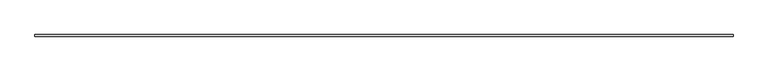
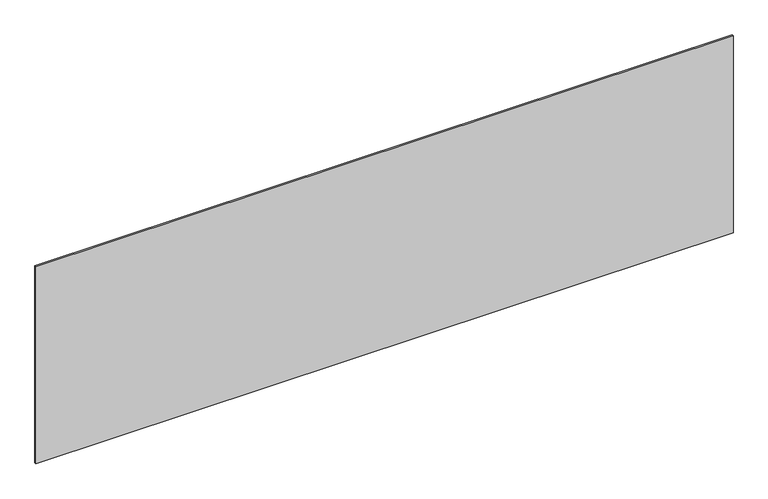
"""IFC4 building model written with IfcOpenShell, lengths in millimetres: plate geometry."""

from ifc_helpers import new_model, si_unit, origin, origin_with_axes, place, context, project, spatial, polyline, outline, extrude, source, transform, mapped, element, save


def plate_75c09d78(model_context):
    return source(origin(), model_context, "Body", "SweptSolid", [
        extrude(outline(polyline([(2189.1666667, -5.0), (-2189.1666667, -5.0), (-2189.1666667, 5.0), (2189.1666667, 5.0), (2189.1666667, -5.0)])), origin_with_axes(), (0.0, 0.0, 1.0), 1308.5896702),
    ])


if __name__ == "__main__":
    model = new_model("IFC4")
    model_context = context("Model", 3, world=origin())
    ifc_project = project(units=[si_unit("LENGTHUNIT", "METRE", prefix="MILLI")], contexts=[model_context])
    site = spatial("IfcSite", under=ifc_project)
    building = spatial("IfcBuilding", under=site)
    placement = place(None, origin())
    plate_shape = plate_75c09d78(model_context)
    element("IfcPlate", 1, at=placement, inside=building, context=model_context, shape_type="MappedRepresentation", body=[
        mapped(plate_shape, transform((0.0, 0.0, 0.0), x_axis=(1.0, 0.0, 0.0), y_axis=(0.0, 1.0, 0.0), z_axis=(0.0, 0.0, 1.0))),
    ])
    save(model, "model.ifc")
